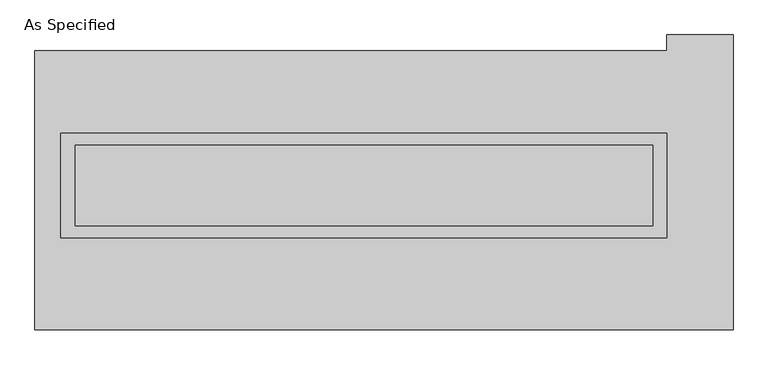
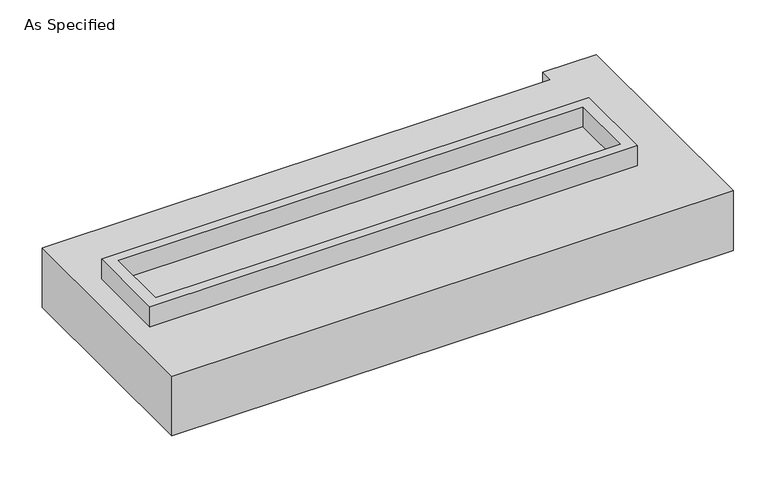
"""IFC4 building model written with IfcOpenShell, lengths in millimetres: proxy geometry, As Specified."""

from ifc_helpers import new_model, si_unit, frame, origin, place, context, project, spatial, polyline, outline, extrude, source, transform, mapped, element, save


def as_specified_1f719988(model_context):
    return source(origin(), model_context, "Body", "SweptSolid", [
        extrude(outline(polyline([(1917.7, 361.95), (1917.7, -298.45), (-1917.7, -298.45), (-1917.7, 361.95), (1917.7, 361.95)]), holes=[polyline([(1828.8, 285.75), (-1828.8, 285.75), (-1828.8, -222.25), (1828.8, -222.25), (1828.8, 285.75)])]), frame((0.0, 0.0, -688.975), z_axis=(0.0, 0.0, 1.0), x_axis=(1.0, 0.0, 0.0)), (0.0, 0.0, 1.0), 165.1),
        extrude(outline(polyline([(1917.7, 361.95), (1917.7, -298.45), (-1917.7, -298.45), (-1917.7, 361.95), (1917.7, 361.95)]), holes=[polyline([(1828.8, 285.75), (-1828.8, 285.75), (-1828.8, -222.25), (1828.8, -222.25), (1828.8, 285.75)])]), frame((0.0, 0.0, -25.4), z_axis=(0.0, 0.0, 1.0), x_axis=(1.0, 0.0, 0.0)), (0.0, 0.0, 1.0), 165.1),
        extrude(outline(polyline([(1828.8, 285.75), (1828.8, -222.25), (-1828.8, -222.25), (-1828.8, 285.75), (1828.8, 285.75)])), frame((0.0, 0.0, -523.875), z_axis=(0.0, 0.0, 1.0), x_axis=(1.0, 0.0, 0.0)), (0.0, 0.0, 1.0), 4.9609375),
        extrude(outline(polyline([(1828.8, 285.75), (1828.8, -222.25), (-1828.8, -222.25), (-1828.8, 285.75), (1828.8, 285.75)])), frame((0.0, 0.0, -30.3609375), z_axis=(0.0, 0.0, 1.0), x_axis=(1.0, 0.0, 0.0)), (0.0, 0.0, 1.0), 4.9609375),
        extrude(outline(polyline([(2336.8, -882.65), (-2082.8, -882.65), (-2082.8, 882.65), (1917.7, 882.65), (1917.7, 984.25), (2336.8, 984.25), (2336.8, -882.65)]), holes=[polyline([(-1917.7, 361.95), (-1917.7, -298.45), (1917.7, -298.45), (1917.7, 361.95), (-1917.7, 361.95)])]), frame((0.0, 0.0, -523.875), z_axis=(0.0, 0.0, 1.0), x_axis=(1.0, 0.0, 0.0)), (0.0, 0.0, 1.0), 498.475),
    ])


if __name__ == "__main__":
    model = new_model("IFC4")
    model_context = context("Model", 3, world=origin())
    ifc_project = project(units=[si_unit("LENGTHUNIT", "METRE", prefix="MILLI")], contexts=[model_context])
    site = spatial("IfcSite", under=ifc_project)
    building = spatial("IfcBuilding", under=site)
    placement = place(None, origin())
    as_specified_shape = as_specified_1f719988(model_context)
    element("IfcBuildingElementProxy", 1, Name="As Specified", ObjectType="As Specified", at=placement, inside=building, context=model_context, shape_type="MappedRepresentation", body=[
        mapped(as_specified_shape, transform((0.0, 0.0, 0.0), x_axis=(1.0, 0.0, 0.0), y_axis=(0.0, 1.0, 0.0), z_axis=(0.0, 0.0, 1.0))),
    ])
    save(model, "model.ifc")
